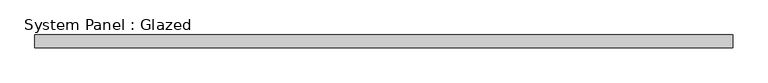
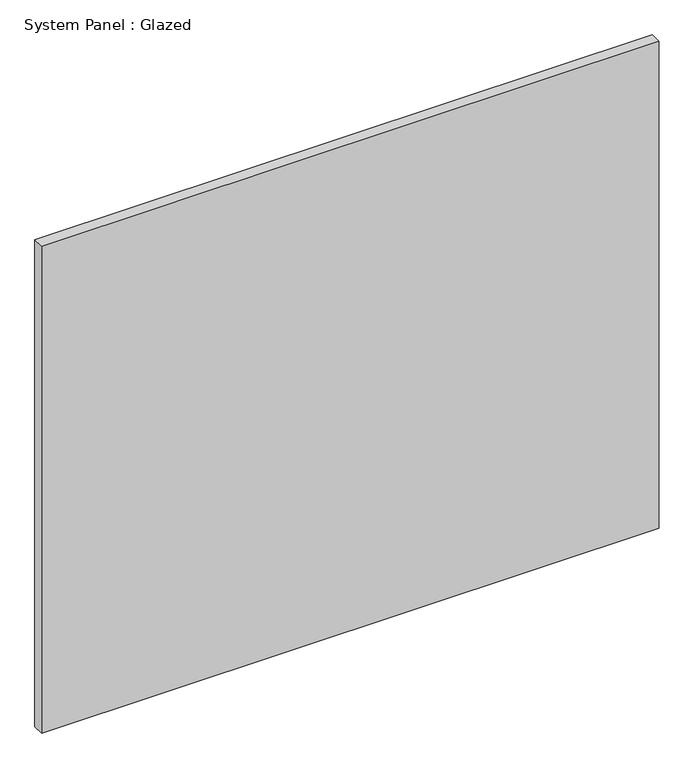
"""IFC4 building model written with IfcOpenShell, lengths in millimetres: plate geometry, System Panel : Glazed."""

import ifcopenshell
import ifcopenshell.guid

model = None  # the IFC model being written
_history = None  # IfcOwnerHistory: only IFC2X3 demands one
_inside = {}  # id of a spatial element -> (the spatial element, [elements in it])
_under = {}  # id of a project, library or spatial element -> (it, [spatial elements below it])
_declared = {}  # id of a project -> (the project, [libraries it declares])
_typed = {}  # id of a type object -> (the type object, [elements of that type])
_made_of = {}  # id of a material, layer set ... -> (it, [elements and type objects made of it])


def new_model(schema):
    """Start an empty IFC model of exactly this schema.

    Asked for "IFC4X3", IfcOpenShell would pick the latest addendum, in which some entities
    have other attributes; the version numbers below select the first issue.
    IFC2X3 requires an IfcOwnerHistory on every rooted entity: one is made here for all.
    """
    global model, _history
    if schema == "IFC4X3":
        model = ifcopenshell.file(schema_version=(4, 3, 0, 0))
    else:
        model = ifcopenshell.file(schema=schema)
    _inside.clear()
    _under.clear()
    _declared.clear()
    _typed.clear()
    _made_of.clear()
    _history = None
    if model.schema == "IFC2X3":
        org = make("IfcOrganization", Name="unknown")
        user = make(
            "IfcPersonAndOrganization",
            ThePerson=make("IfcPerson", FamilyName="unknown"),
            TheOrganization=org,
        )
        app = make(
            "IfcApplication",
            ApplicationDeveloper=org,
            Version="unknown",
            ApplicationFullName="unknown",
            ApplicationIdentifier="unknown",
        )
        _history = make(
            "IfcOwnerHistory",
            OwningUser=user,
            OwningApplication=app,
            ChangeAction="ADDED",
            CreationDate=0,
        )
    return model


def make(cls, **values):
    """One entity of the class cls with the attributes given. An attribute that is None is left unset."""
    return model.create_entity(
        cls, **{name: value for name, value in values.items() if value is not None}
    )


def rooted(cls, **values):
    """An entity with a GlobalId (a new one), such as an element, a storey or a relation."""
    return make(cls, GlobalId=ifcopenshell.guid.new(), OwnerHistory=_history, **values)


def si_unit(unit_type, name, prefix=None):
    """IfcSIUnit, for example si_unit("LENGTHUNIT", "METRE", prefix="MILLI")."""
    return make("IfcSIUnit", UnitType=unit_type, Prefix=prefix, Name=name)


def assignment(units):
    """IfcUnitAssignment: the units of a project."""
    return None if units is None else make("IfcUnitAssignment", Units=units)


def point(xyz):
    """IfcCartesianPoint."""
    return None if xyz is None else make("IfcCartesianPoint", Coordinates=xyz)


def direction(xyz):
    """IfcDirection."""
    return None if xyz is None else make("IfcDirection", DirectionRatios=xyz)


def frame(location, z_axis=None, x_axis=None):
    """IfcAxis2Placement3D, a coordinate frame: its origin and axes. An axis left out is left unset."""
    return make(
        "IfcAxis2Placement3D",
        Location=point(location),
        Axis=direction(z_axis),
        RefDirection=direction(x_axis),
    )


def origin():
    """The frame at (0, 0, 0) with its axes left unset."""
    return frame((0.0, 0.0, 0.0))


def origin_with_axes():
    """The frame at (0, 0, 0) with the z axis (0, 0, 1) and the x axis (1, 0, 0) written out."""
    return frame((0.0, 0.0, 0.0), z_axis=(0.0, 0.0, 1.0), x_axis=(1.0, 0.0, 0.0))


def place(relative_to, where):
    """IfcLocalPlacement: puts the frame where relative to a parent placement (None: the world)."""
    return make(
        "IfcLocalPlacement", PlacementRelTo=relative_to, RelativePlacement=where
    )


def context(
    kind, dimensions, precision=None, world=None, true_north=None, identifier=None
):
    """IfcGeometricRepresentationContext, for example the 3D "Model" context."""
    return make(
        "IfcGeometricRepresentationContext",
        ContextIdentifier=identifier,
        ContextType=kind,
        CoordinateSpaceDimension=dimensions,
        Precision=precision,
        WorldCoordinateSystem=world,
        TrueNorth=true_north,
    )


def project(units=None, contexts=None):
    """IfcProject with its units and contexts."""
    return rooted(
        "IfcProject",
        Name="project",
        RepresentationContexts=contexts,
        UnitsInContext=assignment(units),
    )


def spatial(cls, under=None, at=None, **own):
    """A site, building, storey or space (cls), placed at a placement, below another one or the project."""
    s = rooted(cls, ObjectPlacement=at, **own)
    if under is not None:
        _under.setdefault(under.id(), (under, []))[1].append(s)
    return s


def polyline(points):
    """IfcPolyline through the points."""
    return make("IfcPolyline", Points=[point(p) for p in points])


def outline(outer, holes=None, kind="AREA"):
    """IfcArbitraryClosedProfileDef: a profile drawn as a closed curve; with holes, ...WithVoids."""
    if holes is None:
        return make("IfcArbitraryClosedProfileDef", ProfileType=kind, OuterCurve=outer)
    return make(
        "IfcArbitraryProfileDefWithVoids",
        ProfileType=kind,
        OuterCurve=outer,
        InnerCurves=holes,
    )


def extrude(swept, where, along, depth):
    """IfcExtrudedAreaSolid: the profile swept, set in the frame where, extruded along a direction by depth."""
    return make(
        "IfcExtrudedAreaSolid",
        SweptArea=swept,
        Position=where,
        ExtrudedDirection=direction(along),
        Depth=depth,
    )


def shape(context_of_items, identifier, shape_type, items):
    """IfcShapeRepresentation: the items that make up one representation, for example the "Body"."""
    return make(
        "IfcShapeRepresentation",
        ContextOfItems=context_of_items,
        RepresentationIdentifier=identifier,
        RepresentationType=shape_type,
        Items=items,
    )


def source(mapping_origin, context_of_items, identifier, shape_type, items):
    """IfcRepresentationMap: a shape defined once, which mapped items show again and again."""
    return make(
        "IfcRepresentationMap",
        MappingOrigin=mapping_origin,
        MappedRepresentation=shape(context_of_items, identifier, shape_type, items),
    )


def transform(
    local_origin,
    x_axis=None,
    y_axis=None,
    z_axis=None,
    scale=None,
    scale2=None,
    scale3=None,
    uniform=True,
):
    """IfcCartesianTransformationOperator3D, or its non-uniform kind. x_axis, y_axis, z_axis: its Axis1, 2, 3."""
    if uniform:
        return make(
            "IfcCartesianTransformationOperator3D",
            Axis1=direction(x_axis),
            Axis2=direction(y_axis),
            LocalOrigin=point(local_origin),
            Scale=scale,
            Axis3=direction(z_axis),
        )
    return make(
        "IfcCartesianTransformationOperator3DnonUniform",
        Axis1=direction(x_axis),
        Axis2=direction(y_axis),
        LocalOrigin=point(local_origin),
        Scale=scale,
        Axis3=direction(z_axis),
        Scale2=scale2,
        Scale3=scale3,
    )


def mapped(mapping_source, mapping_target):
    """IfcMappedItem: shows the shape of a source again, moved by a transform."""
    return make(
        "IfcMappedItem", MappingSource=mapping_source, MappingTarget=mapping_target
    )


def made_of(thing, what):
    """Note that an element or type object is made of a material, layer set ...; save() writes the relation."""
    if what is not None:
        _made_of.setdefault(what.id(), (what, []))[1].append(thing)
    return thing


def element(
    cls,
    number,
    at=None,
    inside=None,
    cuts=None,
    type_object=None,
    material=None,
    context=None,
    identifier="Body",
    shape_type=None,
    held_by="IfcProductDefinitionShape",
    body=None,
    shapes=None,
    **own,
):
    """One element of the class cls, such as IfcWall. Its Tag is "e" and its number.

    at: its placement. inside: the storey or other place that contains it. cuts: it is an
    opening in that element (IfcRelVoidsElement). A single representation is given by context,
    identifier, shape_type and body (its items); several are given by shapes. held_by: the class
    of the entity that holds the representations. save() writes the other relations.
    """
    e = rooted(cls, Tag="e%d" % number, ObjectPlacement=at, **own)
    if body is not None:
        shapes = [shape(context, identifier, shape_type, body)]
    if shapes is not None:
        e.Representation = make(held_by, Representations=shapes)
    if inside is not None:
        _inside.setdefault(inside.id(), (inside, []))[1].append(e)
    if cuts is not None:
        rooted(
            "IfcRelVoidsElement", RelatingBuildingElement=cuts, RelatedOpeningElement=e
        )
    if type_object is not None:
        _typed.setdefault(type_object.id(), (type_object, []))[1].append(e)
    return made_of(e, material)


def aggregate(whole, parts):
    """IfcRelAggregates: a whole, such as a stair, and the parts it consists of."""
    return rooted("IfcRelAggregates", RelatingObject=whole, RelatedObjects=parts)


def save(model, path):
    """Write the relations noted so far, then the file.

    IfcRelAggregates (storeys below a building ...), IfcRelContainedInSpatialStructure (elements
    in a storey), IfcRelDefinesByType, IfcRelAssociatesMaterial and IfcRelDeclares: one each for
    every whole, place, type object, material and project.
    """
    for whole, parts in _under.values():
        aggregate(whole, parts)
    for where, things in _inside.values():
        rooted(
            "IfcRelContainedInSpatialStructure",
            RelatedElements=things,
            RelatingStructure=where,
        )
    for kind, things in _typed.values():
        rooted("IfcRelDefinesByType", RelatedObjects=things, RelatingType=kind)
    for what, things in _made_of.values():
        rooted("IfcRelAssociatesMaterial", RelatedObjects=things, RelatingMaterial=what)
    for by, libraries in _declared.values():
        rooted("IfcRelDeclares", RelatingContext=by, RelatedDefinitions=libraries)
    model.write(path)


def system_panel_glazed_0a81bbef(model_context):
    return source(origin(), model_context, "Body", "SweptSolid", [
        extrude(outline(polyline([(685.8, -12.7), (-685.8, -12.7), (-685.8, 12.7), (685.8, 12.7), (685.8, -12.7)])), origin_with_axes(), (0.0, 0.0, 1.0), 1143.0),
    ])


if __name__ == "__main__":
    model = new_model("IFC4")
    model_context = context("Model", 3, world=origin())
    ifc_project = project(units=[si_unit("LENGTHUNIT", "METRE", prefix="MILLI")], contexts=[model_context])
    site = spatial("IfcSite", under=ifc_project)
    building = spatial("IfcBuilding", under=site)
    placement = place(None, origin())
    system_panel_glazed_shape = system_panel_glazed_0a81bbef(model_context)
    element("IfcPlate", 1, ObjectType="System Panel : Glazed", at=placement, inside=building, context=model_context, shape_type="MappedRepresentation", body=[
        mapped(system_panel_glazed_shape, transform((0.0, 0.0, 0.0), x_axis=(1.0, 0.0, 0.0), y_axis=(0.0, 1.0, 0.0), z_axis=(0.0, 0.0, 1.0))),
    ])
    save(model, "model.ifc")
